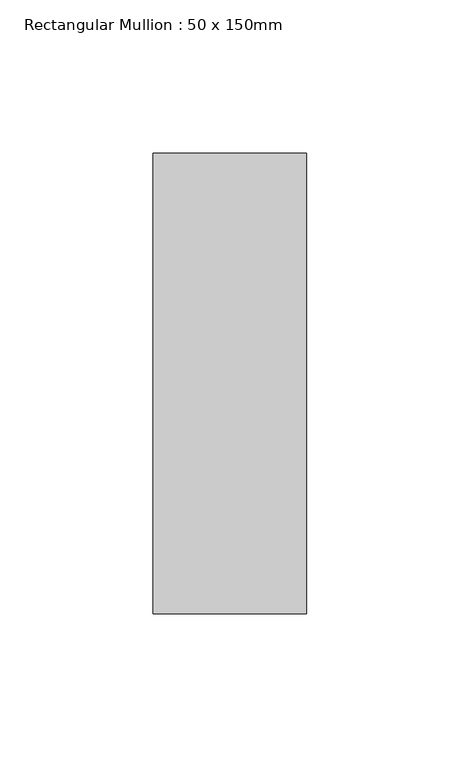
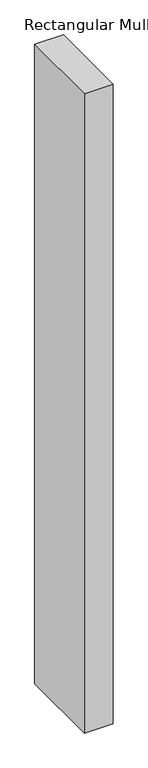
"""IFC4 building model written with IfcOpenShell, lengths in millimetres: member geometry, Rectangular Mullion : 50 x 150mm."""

from ifc_helpers import new_model, si_unit, frame, origin, place, context, project, spatial, polyline, outline, extrude, source, transform, mapped, element, save


def rectangular_mullion_50_x_150mm_1774f4d7(model_context):
    return source(origin(), model_context, "Body", "SweptSolid", [
        extrude(outline(polyline([(0.0, 75.0), (0.0, -75.0), (-50.0, -75.0), (-50.0, 75.0), (0.0, 75.0)])), frame((0.0, 0.0, -1179.0346465), z_axis=(0.0, 0.0, 1.0), x_axis=(1.0, 0.0, 0.0)), (0.0, 0.0, 1.0), 1179.0346465),
    ])


if __name__ == "__main__":
    model = new_model("IFC4")
    model_context = context("Model", 3, world=origin())
    ifc_project = project(units=[si_unit("LENGTHUNIT", "METRE", prefix="MILLI")], contexts=[model_context])
    site = spatial("IfcSite", under=ifc_project)
    building = spatial("IfcBuilding", under=site)
    placement = place(None, origin())
    rectangular_mullion_50_x_150mm_shape = rectangular_mullion_50_x_150mm_1774f4d7(model_context)
    element("IfcMember", 1, ObjectType="Rectangular Mullion : 50 x 150mm", at=placement, inside=building, context=model_context, shape_type="MappedRepresentation", body=[
        mapped(rectangular_mullion_50_x_150mm_shape, transform((0.0, 0.0, 0.0), x_axis=(1.0, 0.0, 0.0), y_axis=(0.0, 1.0, 0.0), z_axis=(0.0, 0.0, 1.0))),
    ])
    save(model, "model.ifc")
